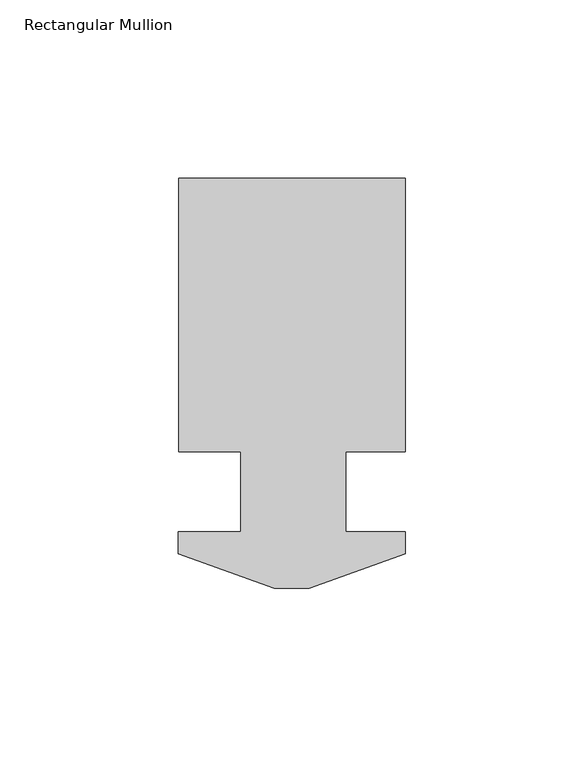
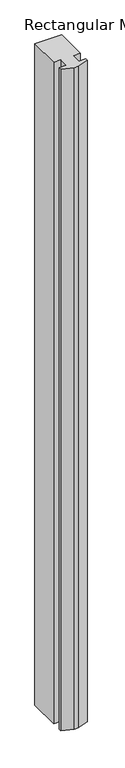
"""IFC4 building model written with IfcOpenShell, lengths in millimetres: member geometry, Rectangular Mullion."""

from ifc_helpers import new_model, si_unit, frame, origin, place, context, project, spatial, polyline, outline, extrude, source, transform, mapped, element, save


def rectangular_mullion_332fcaa7(model_context):
    return source(origin(), model_context, "Body", "SweptSolid", [
        extrude(outline(polyline([(-4.9772064, 1.1604625), (-31.7750021, 10.9140625), (-31.7750021, 17.0100625), (-14.2875, 17.0100625), (-14.2875, 39.4890625), (-31.75, 39.4890625), (-31.75, 116.0192625), (31.75, 116.0192625), (31.75, 39.4890625), (15.0622, 39.4890625), (15.0622, 17.0100625), (31.7249979, 17.0100625), (31.7249979, 10.9140625), (4.9272021, 1.1604625), (-4.9772064, 1.1604625)])), frame((0.0, 0.0, -1656.7442516), z_axis=(0.0, 0.0, 1.0), x_axis=(1.0, 0.0, 0.0)), (0.0, 0.0, 1.0), 1656.7442516),
    ])


if __name__ == "__main__":
    model = new_model("IFC4")
    model_context = context("Model", 3, world=origin())
    ifc_project = project(units=[si_unit("LENGTHUNIT", "METRE", prefix="MILLI")], contexts=[model_context])
    site = spatial("IfcSite", under=ifc_project)
    building = spatial("IfcBuilding", under=site)
    placement = place(None, origin())
    rectangular_mullion_shape = rectangular_mullion_332fcaa7(model_context)
    element("IfcMember", 1, ObjectType="Rectangular Mullion", at=placement, inside=building, context=model_context, shape_type="MappedRepresentation", body=[
        mapped(rectangular_mullion_shape, transform((0.0, 0.0, 0.0), x_axis=(1.0, 0.0, 0.0), y_axis=(0.0, 1.0, 0.0), z_axis=(0.0, 0.0, 1.0))),
    ])
    save(model, "model.ifc")
